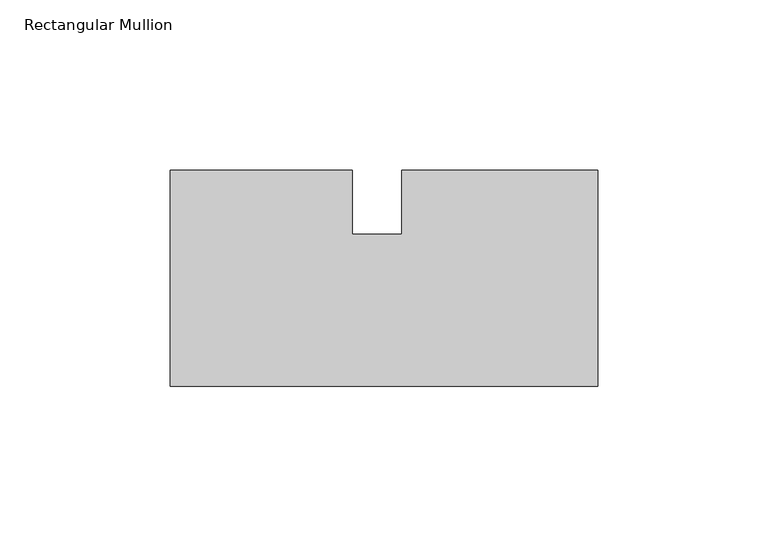
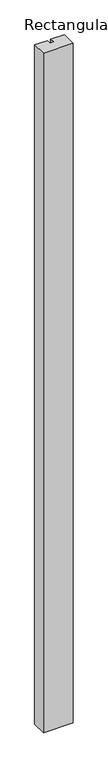
"""IFC4 building model written with IfcOpenShell, lengths in millimetres: member geometry, Rectangular Mullion."""

from ifc_helpers import new_model, si_unit, frame, origin, place, context, project, spatial, polyline, outline, extrude, source, transform, mapped, element, save


def rectangular_mullion_8a519d49(model_context):
    return source(origin(), model_context, "Body", "SweptSolid", [
        extrude(outline(polyline([(0.0, -63.5), (-125.7808, -63.5), (-125.7808, 0.0), (-72.1741, 0.0), (-72.1741, -18.7987124), (-57.7346949, -18.7987124), (-57.7346949, 0.0), (0.0, 0.0), (0.0, -63.5)])), frame((0.0, 0.0, -3048.0), z_axis=(0.0, 0.0, 1.0), x_axis=(1.0, 0.0, 0.0)), (0.0, 0.0, 1.0), 3048.0),
    ])


if __name__ == "__main__":
    model = new_model("IFC4")
    model_context = context("Model", 3, world=origin())
    ifc_project = project(units=[si_unit("LENGTHUNIT", "METRE", prefix="MILLI")], contexts=[model_context])
    site = spatial("IfcSite", under=ifc_project)
    building = spatial("IfcBuilding", under=site)
    placement = place(None, origin())
    rectangular_mullion_shape = rectangular_mullion_8a519d49(model_context)
    element("IfcMember", 1, ObjectType="Rectangular Mullion", at=placement, inside=building, context=model_context, shape_type="MappedRepresentation", body=[
        mapped(rectangular_mullion_shape, transform((0.0, 0.0, 0.0), x_axis=(1.0, 0.0, 0.0), y_axis=(0.0, 1.0, 0.0), z_axis=(0.0, 0.0, 1.0))),
    ])
    save(model, "model.ifc")
